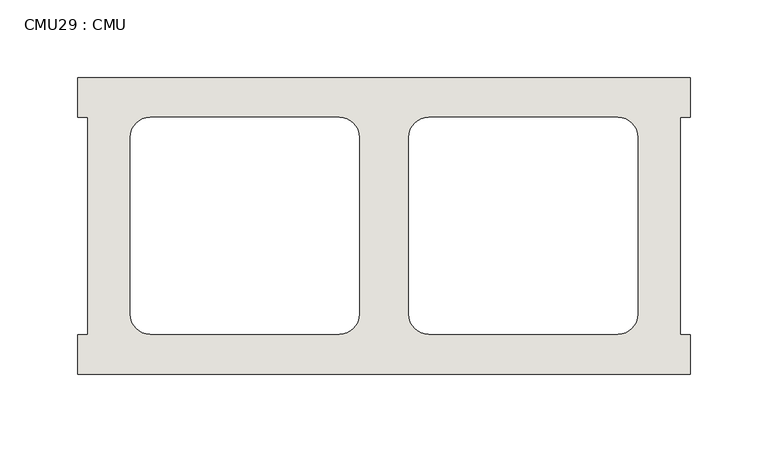
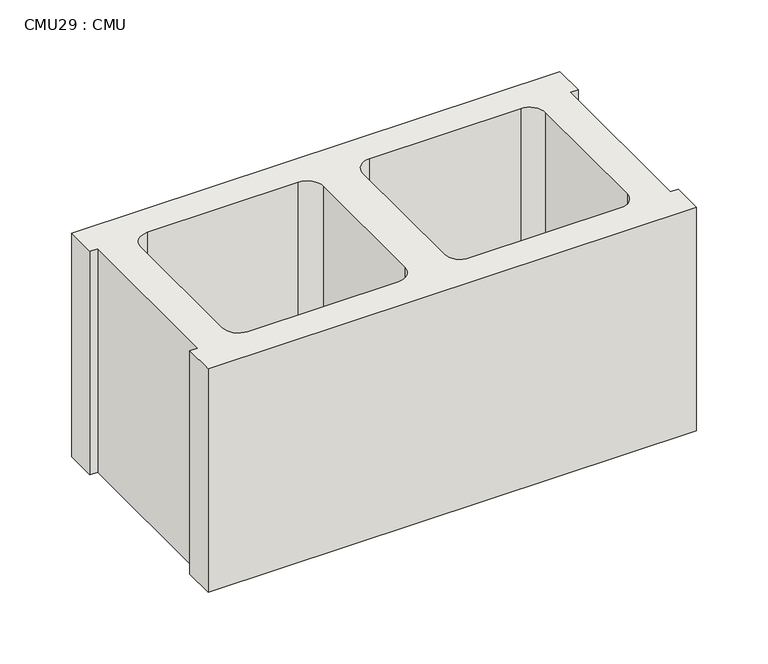
"""IFC4 building model written with IfcOpenShell, lengths in millimetres: wall geometry, CMU29 : CMU."""

from ifc_helpers import new_model, si_unit, point, frame, frame_2d, origin, place, context, project, spatial, polyline, circle_curve, trimmed, segment, composite_curve, outline, extrude, source, transform, mapped, element, save


def cmu29_cmu_217e66d3(model_context):
    return source(origin(), model_context, "Body", "SweptSolid", [
        extrude(outline(polyline([(355.3060968, 2871.3003704), (749.0060968, 2871.3003704), (749.0060968, 2845.9003704), (742.6560968, 2845.9003704), (742.6560968, 2706.2003704), (749.0060968, 2706.2003704), (749.0060968, 2680.8003704), (355.3060968, 2680.8003704), (355.3060968, 2706.2003704), (361.6560968, 2706.2003704), (361.6560968, 2845.9003704), (355.3060968, 2845.9003704), (355.3060968, 2871.3003704)]), holes=[composite_curve([segment(polyline([(523.4740955, 2845.9003704), (401.7574454, 2845.9003704)]), True, "CONTINUOUS"), segment(trimmed(circle_curve(frame_2d((401.7574454, 2833.2003704)), 12.7), [point((401.7574454, 2845.9003704))], [point((389.0574454, 2833.2003704))], True, "CARTESIAN"), True, "CONTINUOUS"), segment(polyline([(389.0574454, 2833.2003704), (389.0574454, 2719.1345307)]), True, "CONTINUOUS"), segment(trimmed(circle_curve(frame_2d((401.7574454, 2719.1345307)), 12.7), [point((389.0574454, 2719.1345307))], [point((401.7574454, 2706.4345307))], True, "CARTESIAN"), True, "CONTINUOUS"), segment(polyline([(401.7574454, 2706.4345307), (523.4740955, 2706.4345307)]), True, "CONTINUOUS"), segment(trimmed(circle_curve(frame_2d((523.4740955, 2719.1345307)), 12.7), [point((523.4740955, 2706.4345307))], [point((536.1740955, 2719.1345307))], True, "CARTESIAN"), True, "CONTINUOUS"), segment(polyline([(536.1740955, 2719.1345307), (536.1740955, 2833.2003704)]), True, "CONTINUOUS"), segment(trimmed(circle_curve(frame_2d((523.4740955, 2833.2003704)), 12.7), [point((536.1740955, 2833.2003704))], [point((523.4740955, 2845.9003704))], True, "CARTESIAN"), True, "CONTINUOUS")], self_intersect=False), composite_curve([segment(trimmed(circle_curve(frame_2d((580.8380982, 2833.2003704)), 12.7), [point((580.8380982, 2845.9003704))], [point((568.1380982, 2833.2003704))], True, "CARTESIAN"), True, "CONTINUOUS"), segment(polyline([(568.1380982, 2833.2003704), (568.1380982, 2719.1345307)]), True, "CONTINUOUS"), segment(trimmed(circle_curve(frame_2d((580.8380982, 2719.1345307)), 12.7), [point((568.1380982, 2719.1345307))], [point((580.8380982, 2706.4345307))], True, "CARTESIAN"), True, "CONTINUOUS"), segment(polyline([(580.8380982, 2706.4345307), (702.5547483, 2706.4345307)]), True, "CONTINUOUS"), segment(trimmed(circle_curve(frame_2d((702.5547483, 2719.1345307)), 12.7), [point((702.5547483, 2706.4345307))], [point((715.2547483, 2719.1345307))], True, "CARTESIAN"), True, "CONTINUOUS"), segment(polyline([(715.2547483, 2719.1345307), (715.2547483, 2833.2003704)]), True, "CONTINUOUS"), segment(trimmed(circle_curve(frame_2d((702.5547483, 2833.2003704)), 12.7), [point((715.2547483, 2833.2003704))], [point((702.5547483, 2845.9003704))], True, "CARTESIAN"), True, "CONTINUOUS"), segment(polyline([(702.5547483, 2845.9003704), (580.8380982, 2845.9003704)]), True, "CONTINUOUS")], self_intersect=False)]), frame((0.0, 0.0, 203.2), z_axis=(0.0, 0.0, 1.0), x_axis=(1.0, 0.0, 0.0)), (0.0, 0.0, 1.0), 190.5),
    ])


if __name__ == "__main__":
    model = new_model("IFC4")
    model_context = context("Model", 3, world=origin())
    ifc_project = project(units=[si_unit("LENGTHUNIT", "METRE", prefix="MILLI")], contexts=[model_context])
    site = spatial("IfcSite", under=ifc_project)
    building = spatial("IfcBuilding", under=site)
    placement = place(None, origin())
    cmu29_cmu_shape = cmu29_cmu_217e66d3(model_context)
    element("IfcWall", 1, ObjectType="CMU29 : CMU", at=placement, inside=building, context=model_context, shape_type="MappedRepresentation", body=[
        mapped(cmu29_cmu_shape, transform((0.0, 0.0, 0.0), x_axis=(1.0, 0.0, 0.0), y_axis=(0.0, 1.0, 0.0), z_axis=(0.0, 0.0, 1.0))),
    ])
    save(model, "model.ifc")
